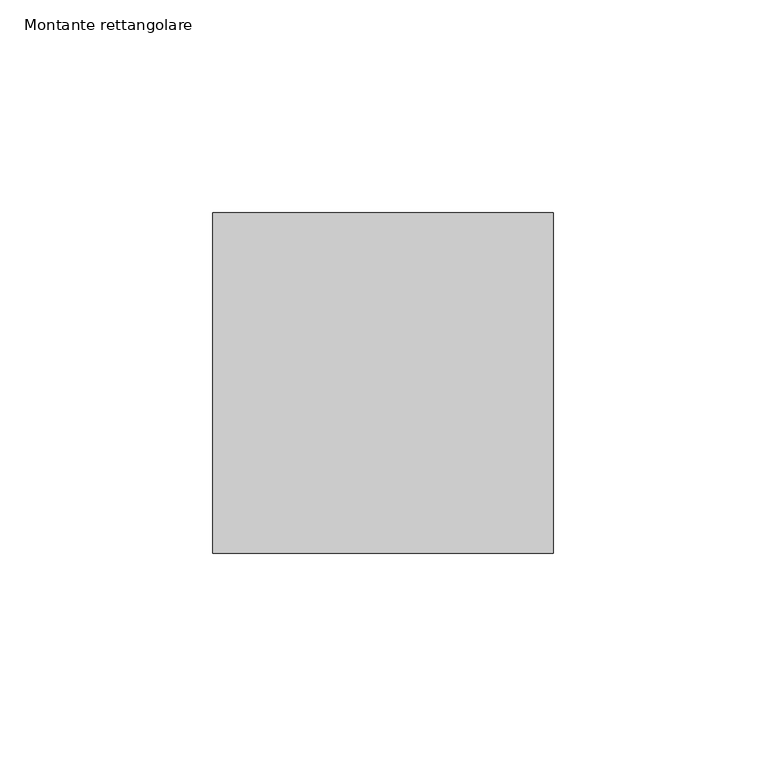
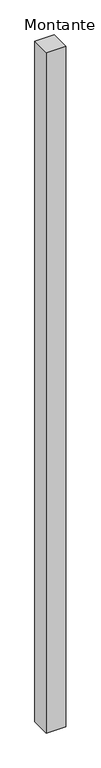
"""IFC4 building model written with IfcOpenShell, lengths in millimetres: member geometry, Montante rettangolare."""

from ifc_helpers import new_model, si_unit, frame, origin, place, context, project, spatial, polyline, outline, extrude, source, transform, mapped, element, save


def montante_rettangolare_b1d86b61(model_context):
    return source(origin(), model_context, "Body", "SweptSolid", [
        extrude(outline(polyline([(0.0, 40.0), (0.0, -40.0), (-80.0, -40.0), (-80.0, 40.0), (0.0, 40.0)])), frame((0.0, 0.0, -2943.6046213), z_axis=(0.0, 0.0, 1.0), x_axis=(1.0, 0.0, 0.0)), (0.0, 0.0, 1.0), 2943.6046213),
    ])


if __name__ == "__main__":
    model = new_model("IFC4")
    model_context = context("Model", 3, world=origin())
    ifc_project = project(units=[si_unit("LENGTHUNIT", "METRE", prefix="MILLI")], contexts=[model_context])
    site = spatial("IfcSite", under=ifc_project)
    building = spatial("IfcBuilding", under=site)
    placement = place(None, origin())
    montante_rettangolare_shape = montante_rettangolare_b1d86b61(model_context)
    element("IfcMember", 1, ObjectType="Montante rettangolare", at=placement, inside=building, context=model_context, shape_type="MappedRepresentation", body=[
        mapped(montante_rettangolare_shape, transform((0.0, 0.0, 0.0), x_axis=(1.0, 0.0, 0.0), y_axis=(0.0, 1.0, 0.0), z_axis=(0.0, 0.0, 1.0))),
    ])
    save(model, "model.ifc")
